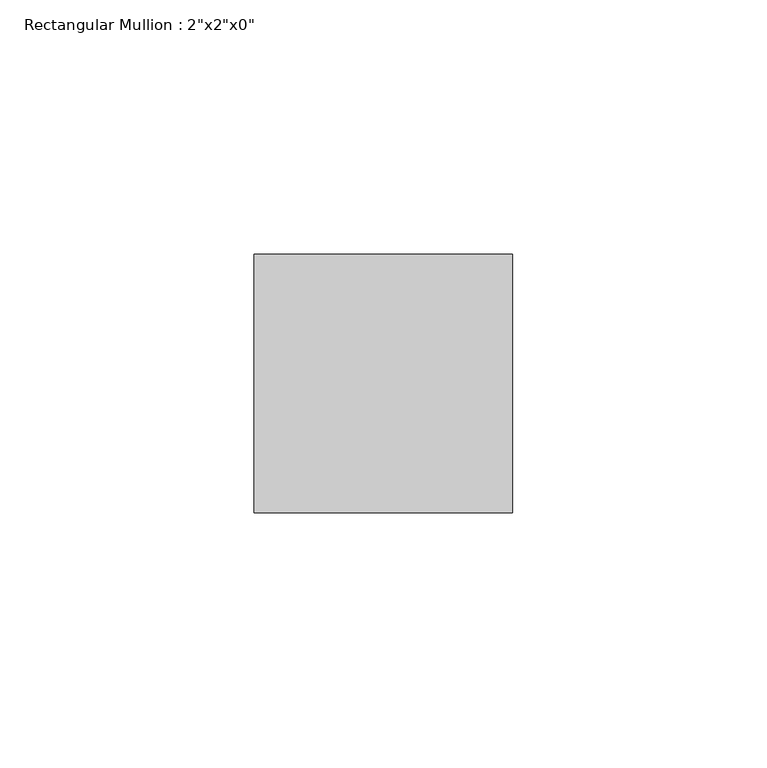
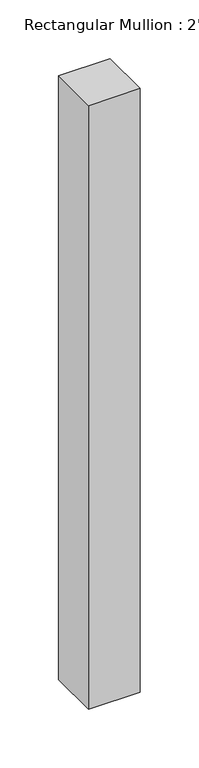
"""IFC4 building model written with IfcOpenShell, lengths in millimetres: member geometry."""

from ifc_helpers import new_model, si_unit, frame, origin, place, context, project, spatial, polyline, outline, extrude, source, transform, mapped, element, save


def member_eee52762(model_context):
    return source(origin(), model_context, "Body", "SweptSolid", [
        extrude(outline(polyline([(0.0, 25.4), (0.0, -25.4), (-50.8, -25.4), (-50.8, 25.4), (0.0, 25.4)])), frame((0.0, 0.0, -627.0913732), z_axis=(0.0, 0.0, 1.0), x_axis=(1.0, 0.0, 0.0)), (0.0, 0.0, 1.0), 627.0913732),
    ])


if __name__ == "__main__":
    model = new_model("IFC4")
    model_context = context("Model", 3, world=origin())
    ifc_project = project(units=[si_unit("LENGTHUNIT", "METRE", prefix="MILLI")], contexts=[model_context])
    site = spatial("IfcSite", under=ifc_project)
    building = spatial("IfcBuilding", under=site)
    placement = place(None, origin())
    member_shape = member_eee52762(model_context)
    element("IfcMember", 1, ObjectType="Rectangular Mullion : 2\"x2\"x0\"", at=placement, inside=building, context=model_context, shape_type="MappedRepresentation", body=[
        mapped(member_shape, transform((0.0, 0.0, 0.0), x_axis=(1.0, 0.0, 0.0), y_axis=(0.0, 1.0, 0.0), z_axis=(0.0, 0.0, 1.0))),
    ])
    save(model, "model.ifc")
